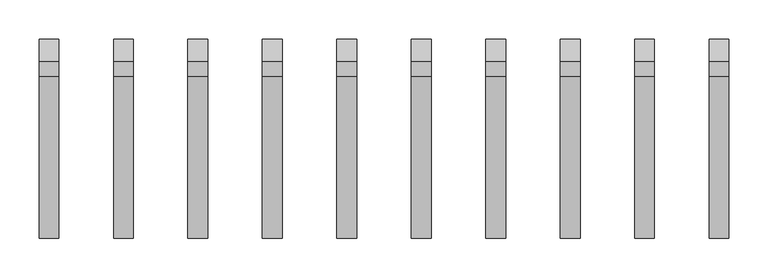
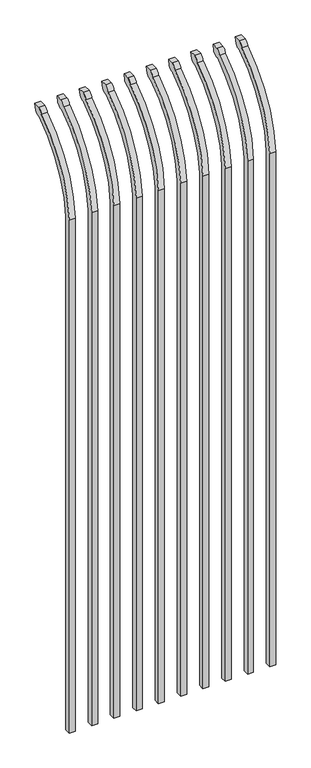
"""IFC4 building model written with IfcOpenShell, lengths in millimetres: railing geometry."""

from ifc_helpers import new_model, si_unit, point, frame, origin, place, context, project, spatial, polyline, circle_curve, ellipse_curve, trimmed, source, transform, mapped, element, save
from ifc_brep_helpers import plane_surface, cylinder_surface, revolved_surface, extruded_surface, advanced_brep


def railing_23267416(model_context):
    return source(origin(), model_context, "Body", "AdvancedBrep", [
        advanced_brep(
        [(26128.4350064, 10381.619541, 50.8), (26128.4350064, 10381.619541, 2368.7226889), (26128.4350064, 10578.7326851, 2700.9022378), (26128.4350064, 10605.2407099, 2715.5867549), (26128.4350064, 10611.1100864, 2743.2), (26128.4350064, 10582.8799449, 2743.2), (26128.4350064, 10563.4931591, 2722.2682561), (26128.4350064, 10356.219541, 2368.7226889), (26128.4350064, 10356.219541, 50.8), (26103.0350064, 10381.619541, 50.8), (26103.0350064, 10381.619541, 2368.7226889), (26103.0350064, 10356.219541, 2368.7226889), (26103.0350064, 10356.219541, 50.8), (26103.0350064, 10563.4931591, 2722.2682561), (26103.0350064, 10582.8799449, 2743.2), (26103.0350064, 10611.1100864, 2743.2), (26103.0350064, 10605.2407099, 2715.5867549), (26103.0350064, 10578.7326851, 2700.9022378)],
        [
            (0, 1),
            (1, 2, circle_curve(frame((26128.4350064, 10818.9874207, 2333.7640776), z_axis=(-1.0, 0.0, 0.0), x_axis=(0.0, 1.0, 0.0)), 438.7627681)),
            (2, 3, ellipse_curve(frame((26128.4350064, 10586.5579376, 2723.3180619), z_axis=(1.0, 0.0, 0.0), x_axis=(0.0, -0.7771459614569761, -0.6293203910498311)), 26.7460194, 19.05)),
            (3, 4),
            (4, 5),
            (5, 6, ellipse_curve(frame((26128.4350064, 10586.5579376, 2723.3180619), z_axis=(0.9999999999999999, 0.0, 0.0), x_axis=(0.0, -0.7771459614569763, -0.6293203910498306)), 26.7460194, 19.05)),
            (6, 7, circle_curve(frame((26128.4350064, 10818.0333244, 2335.5065933), z_axis=(1.0, 0.0, 0.0), x_axis=(0.0, 1.0, 0.0)), 463.0067812)),
            (7, 8),
            (8, 0),
            (0, 9),
            (9, 10),
            (10, 1),
            (7, 11),
            (11, 12),
            (12, 8),
            (12, 9),
            (11, 13, circle_curve(frame((26103.0350064, 10818.0333244, 2335.5065933), z_axis=(-1.0, 0.0, 0.0), x_axis=(0.0, 1.0, 0.0)), 463.0067812)),
            (13, 14, ellipse_curve(frame((26103.0350064, 10586.5579376, 2723.3180619), z_axis=(-0.9999999999999999, 0.0, 0.0), x_axis=(0.0, -0.7771459614569763, -0.6293203910498306)), 26.7460194, 19.05)),
            (14, 15),
            (15, 16),
            (16, 17, ellipse_curve(frame((26103.0350064, 10586.5579376, 2723.3180619), z_axis=(-1.0, 0.0, 0.0), x_axis=(0.0, -0.7771459614569761, -0.6293203910498311)), 26.7460194, 19.05)),
            (17, 10, circle_curve(frame((26103.0350064, 10818.9874207, 2333.7640776), z_axis=(1.0, 0.0, 0.0), x_axis=(0.0, 1.0, 0.0)), 438.7627681)),
            (17, 2),
            (16, 3),
            (15, 4),
            (14, 5),
            (13, 6),
        ],
        [
            plane_surface(frame((26128.4350064, 10381.619541, 50.8), z_axis=(1.0, 0.0, 0.0), x_axis=(0.0, 0.0, 1.0))),
            plane_surface(frame((26128.4350064, 10381.619541, 50.8), z_axis=(0.0, 1.0, 0.0), x_axis=(-1.0, 0.0, 0.0))),
            plane_surface(frame((26128.4350064, 10356.219541, 2368.7226889), z_axis=(0.0, -1.0, 0.0), x_axis=(-1.0, 0.0, 0.0))),
            plane_surface(frame((26128.4350064, 10356.219541, 50.8), z_axis=(0.0, 0.0, -1.0), x_axis=(-1.0, 0.0, 0.0))),
            plane_surface(frame((26103.0350064, 10381.619541, 50.8), z_axis=(-1.0, 0.0, 0.0), x_axis=(0.0, 0.0, -1.0))),
            revolved_surface(polyline([(26103.0350064, 11257.750188799999, 2333.7640776), (26128.4350064, 11257.750188799999, 2333.7640776)]), (26103.0350064, 10818.9874207, 2333.7640776), (-1.0, 0.0, 0.0)),
            extruded_surface(trimmed(ellipse_curve(frame((26077.6350064, 10586.5579376, 2723.3180619), z_axis=(1.0, 0.0, 0.0), x_axis=(0.0, -0.7771459614569761, -0.6293203910498311)), 26.7460194, 19.05), [point((26077.6350064, 10578.7326851, 2700.9022378))], [point((26077.6350064, 10605.2407099, 2715.5867549))], True, "CARTESIAN"), (25.400000000001455, 0.0, 0.0), 25.400000000001455),
            plane_surface(frame((26128.4350064, 10605.2407099, 2715.5867549), z_axis=(0.0, 0.9781476007337995, -0.2079116908177883), x_axis=(-1.0, 0.0, 0.0))),
            plane_surface(frame((26128.4350064, 10611.1100864, 2743.2), z_axis=(0.0, 0.0, 1.0), x_axis=(-1.0, 0.0, 0.0))),
            extruded_surface(trimmed(ellipse_curve(frame((26077.6350064, 10586.5579376, 2723.3180619), z_axis=(0.9999999999999999, 0.0, 0.0), x_axis=(0.0, -0.7771459614569763, -0.6293203910498306)), 26.7460194, 19.05), [point((26077.6350064, 10582.8799449, 2743.2))], [point((26077.6350064, 10563.4931591, 2722.2682561))], True, "CARTESIAN"), (25.400000000001455, 0.0, 0.0), 25.400000000001455),
            cylinder_surface(frame((26103.0350064, 10818.0333244, 2335.5065933), z_axis=(1.0, 0.0, 0.0), x_axis=(0.0, 1.0, 0.0)), 463.0067812),
        ],
        [
            (0, [[1, 2, 3, 4, 5, 6, 7, 8, 9]]),
            (1, [[-1, 10, 11, 12]]),
            (2, [[-8, 13, 14, 15]]),
            (3, [[-9, -15, 16, -10]]),
            (4, [[-16, -14, 17, 18, 19, 20, 21, 22, -11]]),
            (5, [[-2, -12, -22, 23]]),
            (6, [[-3, -23, -21, 24]]),
            (7, [[-4, -24, -20, 25]]),
            (8, [[-5, -25, -19, 26]]),
            (9, [[-6, -26, -18, 27]]),
            (10, [[-7, -27, -17, -13]]),
        ],
    ),
        advanced_brep(
        [(26033.1850064, 10381.619541, 50.8), (26033.1850064, 10381.619541, 2368.7226889), (26033.1850064, 10578.7326851, 2700.9022378), (26033.1850064, 10605.2407099, 2715.5867549), (26033.1850064, 10611.1100864, 2743.2), (26033.1850064, 10582.8799449, 2743.2), (26033.1850064, 10563.4931591, 2722.2682561), (26033.1850064, 10356.219541, 2368.7226889), (26033.1850064, 10356.219541, 50.8), (26007.7850064, 10381.619541, 50.8), (26007.7850064, 10381.619541, 2368.7226889), (26007.7850064, 10356.219541, 2368.7226889), (26007.7850064, 10356.219541, 50.8), (26007.7850064, 10563.4931591, 2722.2682561), (26007.7850064, 10582.8799449, 2743.2), (26007.7850064, 10611.1100864, 2743.2), (26007.7850064, 10605.2407099, 2715.5867549), (26007.7850064, 10578.7326851, 2700.9022378)],
        [
            (0, 1),
            (1, 2, circle_curve(frame((26033.1850064, 10818.9874207, 2333.7640776), z_axis=(-1.0, 0.0, 0.0), x_axis=(0.0, 1.0, 0.0)), 438.7627681)),
            (2, 3, ellipse_curve(frame((26033.1850064, 10586.5579376, 2723.3180619), z_axis=(1.0, 0.0, 0.0), x_axis=(0.0, -0.7771459614569761, -0.6293203910498311)), 26.7460194, 19.05)),
            (3, 4),
            (4, 5),
            (5, 6, ellipse_curve(frame((26033.1850064, 10586.5579376, 2723.3180619), z_axis=(0.9999999999999999, 0.0, 0.0), x_axis=(0.0, -0.7771459614569763, -0.6293203910498306)), 26.7460194, 19.05)),
            (6, 7, circle_curve(frame((26033.1850064, 10818.0333244, 2335.5065933), z_axis=(1.0, 0.0, 0.0), x_axis=(0.0, 1.0, 0.0)), 463.0067812)),
            (7, 8),
            (8, 0),
            (0, 9),
            (9, 10),
            (10, 1),
            (7, 11),
            (11, 12),
            (12, 8),
            (12, 9),
            (11, 13, circle_curve(frame((26007.7850064, 10818.0333244, 2335.5065933), z_axis=(-1.0, 0.0, 0.0), x_axis=(0.0, 1.0, 0.0)), 463.0067812)),
            (13, 14, ellipse_curve(frame((26007.7850064, 10586.5579376, 2723.3180619), z_axis=(-0.9999999999999999, 0.0, 0.0), x_axis=(0.0, -0.7771459614569763, -0.6293203910498306)), 26.7460194, 19.05)),
            (14, 15),
            (15, 16),
            (16, 17, ellipse_curve(frame((26007.7850064, 10586.5579376, 2723.3180619), z_axis=(-1.0, 0.0, 0.0), x_axis=(0.0, -0.7771459614569761, -0.6293203910498311)), 26.7460194, 19.05)),
            (17, 10, circle_curve(frame((26007.7850064, 10818.9874207, 2333.7640776), z_axis=(1.0, 0.0, 0.0), x_axis=(0.0, 1.0, 0.0)), 438.7627681)),
            (17, 2),
            (16, 3),
            (15, 4),
            (14, 5),
            (13, 6),
        ],
        [
            plane_surface(frame((26033.1850064, 10381.619541, 50.8), z_axis=(1.0, 0.0, 0.0), x_axis=(0.0, 0.0, 1.0))),
            plane_surface(frame((26033.1850064, 10381.619541, 50.8), z_axis=(0.0, 1.0, 0.0), x_axis=(-1.0, 0.0, 0.0))),
            plane_surface(frame((26033.1850064, 10356.219541, 2368.7226889), z_axis=(0.0, -1.0, 0.0), x_axis=(-1.0, 0.0, 0.0))),
            plane_surface(frame((26033.1850064, 10356.219541, 50.8), z_axis=(0.0, 0.0, -1.0), x_axis=(-1.0, 0.0, 0.0))),
            plane_surface(frame((26007.7850064, 10381.619541, 50.8), z_axis=(-1.0, 0.0, 0.0), x_axis=(0.0, 0.0, -1.0))),
            revolved_surface(polyline([(26007.7850064, 11257.750188799999, 2333.7640776), (26033.1850064, 11257.750188799999, 2333.7640776)]), (26007.7850064, 10818.9874207, 2333.7640776), (-1.0, 0.0, 0.0)),
            extruded_surface(trimmed(ellipse_curve(frame((25982.3850064, 10586.5579376, 2723.3180619), z_axis=(1.0, 0.0, 0.0), x_axis=(0.0, -0.7771459614569761, -0.6293203910498311)), 26.7460194, 19.05), [point((25982.3850064, 10578.7326851, 2700.9022378))], [point((25982.3850064, 10605.2407099, 2715.5867549))], True, "CARTESIAN"), (25.400000000001455, 0.0, 0.0), 25.400000000001455),
            plane_surface(frame((26033.1850064, 10605.2407099, 2715.5867549), z_axis=(0.0, 0.9781476007337995, -0.2079116908177883), x_axis=(-1.0, 0.0, 0.0))),
            plane_surface(frame((26033.1850064, 10611.1100864, 2743.2), z_axis=(0.0, 0.0, 1.0), x_axis=(-1.0, 0.0, 0.0))),
            extruded_surface(trimmed(ellipse_curve(frame((25982.3850064, 10586.5579376, 2723.3180619), z_axis=(0.9999999999999999, 0.0, 0.0), x_axis=(0.0, -0.7771459614569763, -0.6293203910498306)), 26.7460194, 19.05), [point((25982.3850064, 10582.8799449, 2743.2))], [point((25982.3850064, 10563.4931591, 2722.2682561))], True, "CARTESIAN"), (25.400000000001455, 0.0, 0.0), 25.400000000001455),
            cylinder_surface(frame((26007.7850064, 10818.0333244, 2335.5065933), z_axis=(1.0, 0.0, 0.0), x_axis=(0.0, 1.0, 0.0)), 463.0067812),
        ],
        [
            (0, [[1, 2, 3, 4, 5, 6, 7, 8, 9]]),
            (1, [[-1, 10, 11, 12]]),
            (2, [[-8, 13, 14, 15]]),
            (3, [[-9, -15, 16, -10]]),
            (4, [[-16, -14, 17, 18, 19, 20, 21, 22, -11]]),
            (5, [[-2, -12, -22, 23]]),
            (6, [[-3, -23, -21, 24]]),
            (7, [[-4, -24, -20, 25]]),
            (8, [[-5, -25, -19, 26]]),
            (9, [[-6, -26, -18, 27]]),
            (10, [[-7, -27, -17, -13]]),
        ],
    ),
        advanced_brep(
        [(25937.9350064, 10381.619541, 50.8), (25937.9350064, 10381.619541, 2368.7226889), (25937.9350064, 10578.7326851, 2700.9022378), (25937.9350064, 10605.2407099, 2715.5867549), (25937.9350064, 10611.1100864, 2743.2), (25937.9350064, 10582.8799449, 2743.2), (25937.9350064, 10563.4931591, 2722.2682561), (25937.9350064, 10356.219541, 2368.7226889), (25937.9350064, 10356.219541, 50.8), (25912.5350064, 10381.619541, 50.8), (25912.5350064, 10381.619541, 2368.7226889), (25912.5350064, 10356.219541, 2368.7226889), (25912.5350064, 10356.219541, 50.8), (25912.5350064, 10563.4931591, 2722.2682561), (25912.5350064, 10582.8799449, 2743.2), (25912.5350064, 10611.1100864, 2743.2), (25912.5350064, 10605.2407099, 2715.5867549), (25912.5350064, 10578.7326851, 2700.9022378)],
        [
            (0, 1),
            (1, 2, circle_curve(frame((25937.9350064, 10818.9874207, 2333.7640776), z_axis=(-1.0, 0.0, 0.0), x_axis=(0.0, 1.0, 0.0)), 438.7627681)),
            (2, 3, ellipse_curve(frame((25937.9350064, 10586.5579376, 2723.3180619), z_axis=(1.0, 0.0, 0.0), x_axis=(0.0, -0.7771459614569761, -0.6293203910498311)), 26.7460194, 19.05)),
            (3, 4),
            (4, 5),
            (5, 6, ellipse_curve(frame((25937.9350064, 10586.5579376, 2723.3180619), z_axis=(0.9999999999999999, 0.0, 0.0), x_axis=(0.0, -0.7771459614569763, -0.6293203910498306)), 26.7460194, 19.05)),
            (6, 7, circle_curve(frame((25937.9350064, 10818.0333244, 2335.5065933), z_axis=(1.0, 0.0, 0.0), x_axis=(0.0, 1.0, 0.0)), 463.0067812)),
            (7, 8),
            (8, 0),
            (0, 9),
            (9, 10),
            (10, 1),
            (7, 11),
            (11, 12),
            (12, 8),
            (12, 9),
            (11, 13, circle_curve(frame((25912.5350064, 10818.0333244, 2335.5065933), z_axis=(-1.0, 0.0, 0.0), x_axis=(0.0, 1.0, 0.0)), 463.0067812)),
            (13, 14, ellipse_curve(frame((25912.5350064, 10586.5579376, 2723.3180619), z_axis=(-0.9999999999999999, 0.0, 0.0), x_axis=(0.0, -0.7771459614569763, -0.6293203910498306)), 26.7460194, 19.05)),
            (14, 15),
            (15, 16),
            (16, 17, ellipse_curve(frame((25912.5350064, 10586.5579376, 2723.3180619), z_axis=(-1.0, 0.0, 0.0), x_axis=(0.0, -0.7771459614569761, -0.6293203910498311)), 26.7460194, 19.05)),
            (17, 10, circle_curve(frame((25912.5350064, 10818.9874207, 2333.7640776), z_axis=(1.0, 0.0, 0.0), x_axis=(0.0, 1.0, 0.0)), 438.7627681)),
            (17, 2),
            (16, 3),
            (15, 4),
            (14, 5),
            (13, 6),
        ],
        [
            plane_surface(frame((25937.9350064, 10381.619541, 50.8), z_axis=(1.0, 0.0, 0.0), x_axis=(0.0, 0.0, 1.0))),
            plane_surface(frame((25937.9350064, 10381.619541, 50.8), z_axis=(0.0, 1.0, 0.0), x_axis=(-1.0, 0.0, 0.0))),
            plane_surface(frame((25937.9350064, 10356.219541, 2368.7226889), z_axis=(0.0, -1.0, 0.0), x_axis=(-1.0, 0.0, 0.0))),
            plane_surface(frame((25937.9350064, 10356.219541, 50.8), z_axis=(0.0, 0.0, -1.0), x_axis=(-1.0, 0.0, 0.0))),
            plane_surface(frame((25912.5350064, 10381.619541, 50.8), z_axis=(-1.0, 0.0, 0.0), x_axis=(0.0, 0.0, -1.0))),
            revolved_surface(polyline([(25912.5350064, 11257.750188799999, 2333.7640776), (25937.9350064, 11257.750188799999, 2333.7640776)]), (25912.5350064, 10818.9874207, 2333.7640776), (-1.0, 0.0, 0.0)),
            extruded_surface(trimmed(ellipse_curve(frame((25887.1350064, 10586.5579376, 2723.3180619), z_axis=(1.0, 0.0, 0.0), x_axis=(0.0, -0.7771459614569761, -0.6293203910498311)), 26.7460194, 19.05), [point((25887.1350064, 10578.7326851, 2700.9022378))], [point((25887.1350064, 10605.2407099, 2715.5867549))], True, "CARTESIAN"), (25.400000000001455, 0.0, 0.0), 25.400000000001455),
            plane_surface(frame((25937.9350064, 10605.2407099, 2715.5867549), z_axis=(0.0, 0.9781476007337995, -0.2079116908177883), x_axis=(-1.0, 0.0, 0.0))),
            plane_surface(frame((25937.9350064, 10611.1100864, 2743.2), z_axis=(0.0, 0.0, 1.0), x_axis=(-1.0, 0.0, 0.0))),
            extruded_surface(trimmed(ellipse_curve(frame((25887.1350064, 10586.5579376, 2723.3180619), z_axis=(0.9999999999999999, 0.0, 0.0), x_axis=(0.0, -0.7771459614569763, -0.6293203910498306)), 26.7460194, 19.05), [point((25887.1350064, 10582.8799449, 2743.2))], [point((25887.1350064, 10563.4931591, 2722.2682561))], True, "CARTESIAN"), (25.400000000001455, 0.0, 0.0), 25.400000000001455),
            cylinder_surface(frame((25912.5350064, 10818.0333244, 2335.5065933), z_axis=(1.0, 0.0, 0.0), x_axis=(0.0, 1.0, 0.0)), 463.0067812),
        ],
        [
            (0, [[1, 2, 3, 4, 5, 6, 7, 8, 9]]),
            (1, [[-1, 10, 11, 12]]),
            (2, [[-8, 13, 14, 15]]),
            (3, [[-9, -15, 16, -10]]),
            (4, [[-16, -14, 17, 18, 19, 20, 21, 22, -11]]),
            (5, [[-2, -12, -22, 23]]),
            (6, [[-3, -23, -21, 24]]),
            (7, [[-4, -24, -20, 25]]),
            (8, [[-5, -25, -19, 26]]),
            (9, [[-6, -26, -18, 27]]),
            (10, [[-7, -27, -17, -13]]),
        ],
    ),
        advanced_brep(
        [(25842.6850064, 10381.619541, 50.8), (25842.6850064, 10381.619541, 2368.7226889), (25842.6850064, 10578.7326851, 2700.9022378), (25842.6850064, 10605.2407099, 2715.5867549), (25842.6850064, 10611.1100864, 2743.2), (25842.6850064, 10582.8799449, 2743.2), (25842.6850064, 10563.4931591, 2722.2682561), (25842.6850064, 10356.219541, 2368.7226889), (25842.6850064, 10356.219541, 50.8), (25817.2850064, 10381.619541, 50.8), (25817.2850064, 10381.619541, 2368.7226889), (25817.2850064, 10356.219541, 2368.7226889), (25817.2850064, 10356.219541, 50.8), (25817.2850064, 10563.4931591, 2722.2682561), (25817.2850064, 10582.8799449, 2743.2), (25817.2850064, 10611.1100864, 2743.2), (25817.2850064, 10605.2407099, 2715.5867549), (25817.2850064, 10578.7326851, 2700.9022378)],
        [
            (0, 1),
            (1, 2, circle_curve(frame((25842.6850064, 10818.9874207, 2333.7640776), z_axis=(-1.0, 0.0, 0.0), x_axis=(0.0, 1.0, 0.0)), 438.7627681)),
            (2, 3, ellipse_curve(frame((25842.6850064, 10586.5579376, 2723.3180619), z_axis=(1.0, 0.0, 0.0), x_axis=(0.0, -0.7771459614569761, -0.6293203910498311)), 26.7460194, 19.05)),
            (3, 4),
            (4, 5),
            (5, 6, ellipse_curve(frame((25842.6850064, 10586.5579376, 2723.3180619), z_axis=(0.9999999999999999, 0.0, 0.0), x_axis=(0.0, -0.7771459614569763, -0.6293203910498306)), 26.7460194, 19.05)),
            (6, 7, circle_curve(frame((25842.6850064, 10818.0333244, 2335.5065933), z_axis=(1.0, 0.0, 0.0), x_axis=(0.0, 1.0, 0.0)), 463.0067812)),
            (7, 8),
            (8, 0),
            (0, 9),
            (9, 10),
            (10, 1),
            (7, 11),
            (11, 12),
            (12, 8),
            (12, 9),
            (11, 13, circle_curve(frame((25817.2850064, 10818.0333244, 2335.5065933), z_axis=(-1.0, 0.0, 0.0), x_axis=(0.0, 1.0, 0.0)), 463.0067812)),
            (13, 14, ellipse_curve(frame((25817.2850064, 10586.5579376, 2723.3180619), z_axis=(-0.9999999999999999, 0.0, 0.0), x_axis=(0.0, -0.7771459614569763, -0.6293203910498306)), 26.7460194, 19.05)),
            (14, 15),
            (15, 16),
            (16, 17, ellipse_curve(frame((25817.2850064, 10586.5579376, 2723.3180619), z_axis=(-1.0, 0.0, 0.0), x_axis=(0.0, -0.7771459614569761, -0.6293203910498311)), 26.7460194, 19.05)),
            (17, 10, circle_curve(frame((25817.2850064, 10818.9874207, 2333.7640776), z_axis=(1.0, 0.0, 0.0), x_axis=(0.0, 1.0, 0.0)), 438.7627681)),
            (17, 2),
            (16, 3),
            (15, 4),
            (14, 5),
            (13, 6),
        ],
        [
            plane_surface(frame((25842.6850064, 10381.619541, 50.8), z_axis=(1.0, 0.0, 0.0), x_axis=(0.0, 0.0, 1.0))),
            plane_surface(frame((25842.6850064, 10381.619541, 50.8), z_axis=(0.0, 1.0, 0.0), x_axis=(-1.0, 0.0, 0.0))),
            plane_surface(frame((25842.6850064, 10356.219541, 2368.7226889), z_axis=(0.0, -1.0, 0.0), x_axis=(-1.0, 0.0, 0.0))),
            plane_surface(frame((25842.6850064, 10356.219541, 50.8), z_axis=(0.0, 0.0, -1.0), x_axis=(-1.0, 0.0, 0.0))),
            plane_surface(frame((25817.2850064, 10381.619541, 50.8), z_axis=(-1.0, 0.0, 0.0), x_axis=(0.0, 0.0, -1.0))),
            revolved_surface(polyline([(25817.2850064, 11257.750188799999, 2333.7640776), (25842.6850064, 11257.750188799999, 2333.7640776)]), (25817.2850064, 10818.9874207, 2333.7640776), (-1.0, 0.0, 0.0)),
            extruded_surface(trimmed(ellipse_curve(frame((25791.8850064, 10586.5579376, 2723.3180619), z_axis=(1.0, 0.0, 0.0), x_axis=(0.0, -0.7771459614569761, -0.6293203910498311)), 26.7460194, 19.05), [point((25791.8850064, 10578.7326851, 2700.9022378))], [point((25791.8850064, 10605.2407099, 2715.5867549))], True, "CARTESIAN"), (25.400000000001455, 0.0, 0.0), 25.400000000001455),
            plane_surface(frame((25842.6850064, 10605.2407099, 2715.5867549), z_axis=(0.0, 0.9781476007337995, -0.2079116908177883), x_axis=(-1.0, 0.0, 0.0))),
            plane_surface(frame((25842.6850064, 10611.1100864, 2743.2), z_axis=(0.0, 0.0, 1.0), x_axis=(-1.0, 0.0, 0.0))),
            extruded_surface(trimmed(ellipse_curve(frame((25791.8850064, 10586.5579376, 2723.3180619), z_axis=(0.9999999999999999, 0.0, 0.0), x_axis=(0.0, -0.7771459614569763, -0.6293203910498306)), 26.7460194, 19.05), [point((25791.8850064, 10582.8799449, 2743.2))], [point((25791.8850064, 10563.4931591, 2722.2682561))], True, "CARTESIAN"), (25.400000000001455, 0.0, 0.0), 25.400000000001455),
            cylinder_surface(frame((25817.2850064, 10818.0333244, 2335.5065933), z_axis=(1.0, 0.0, 0.0), x_axis=(0.0, 1.0, 0.0)), 463.0067812),
        ],
        [
            (0, [[1, 2, 3, 4, 5, 6, 7, 8, 9]]),
            (1, [[-1, 10, 11, 12]]),
            (2, [[-8, 13, 14, 15]]),
            (3, [[-9, -15, 16, -10]]),
            (4, [[-16, -14, 17, 18, 19, 20, 21, 22, -11]]),
            (5, [[-2, -12, -22, 23]]),
            (6, [[-3, -23, -21, 24]]),
            (7, [[-4, -24, -20, 25]]),
            (8, [[-5, -25, -19, 26]]),
            (9, [[-6, -26, -18, 27]]),
            (10, [[-7, -27, -17, -13]]),
        ],
    ),
        advanced_brep(
        [(25747.4350064, 10381.619541, 50.8), (25747.4350064, 10381.619541, 2368.7226889), (25747.4350064, 10578.7326851, 2700.9022378), (25747.4350064, 10605.2407099, 2715.5867549), (25747.4350064, 10611.1100864, 2743.2), (25747.4350064, 10582.8799449, 2743.2), (25747.4350064, 10563.4931591, 2722.2682561), (25747.4350064, 10356.219541, 2368.7226889), (25747.4350064, 10356.219541, 50.8), (25722.0350064, 10381.619541, 50.8), (25722.0350064, 10381.619541, 2368.7226889), (25722.0350064, 10356.219541, 2368.7226889), (25722.0350064, 10356.219541, 50.8), (25722.0350064, 10563.4931591, 2722.2682561), (25722.0350064, 10582.8799449, 2743.2), (25722.0350064, 10611.1100864, 2743.2), (25722.0350064, 10605.2407099, 2715.5867549), (25722.0350064, 10578.7326851, 2700.9022378)],
        [
            (0, 1),
            (1, 2, circle_curve(frame((25747.4350064, 10818.9874207, 2333.7640776), z_axis=(-1.0, 0.0, 0.0), x_axis=(0.0, 1.0, 0.0)), 438.7627681)),
            (2, 3, ellipse_curve(frame((25747.4350064, 10586.5579376, 2723.3180619), z_axis=(1.0, 0.0, 0.0), x_axis=(0.0, -0.7771459614569761, -0.6293203910498311)), 26.7460194, 19.05)),
            (3, 4),
            (4, 5),
            (5, 6, ellipse_curve(frame((25747.4350064, 10586.5579376, 2723.3180619), z_axis=(0.9999999999999999, 0.0, 0.0), x_axis=(0.0, -0.7771459614569763, -0.6293203910498306)), 26.7460194, 19.05)),
            (6, 7, circle_curve(frame((25747.4350064, 10818.0333244, 2335.5065933), z_axis=(1.0, 0.0, 0.0), x_axis=(0.0, 1.0, 0.0)), 463.0067812)),
            (7, 8),
            (8, 0),
            (0, 9),
            (9, 10),
            (10, 1),
            (7, 11),
            (11, 12),
            (12, 8),
            (12, 9),
            (11, 13, circle_curve(frame((25722.0350064, 10818.0333244, 2335.5065933), z_axis=(-1.0, 0.0, 0.0), x_axis=(0.0, 1.0, 0.0)), 463.0067812)),
            (13, 14, ellipse_curve(frame((25722.0350064, 10586.5579376, 2723.3180619), z_axis=(-0.9999999999999999, 0.0, 0.0), x_axis=(0.0, -0.7771459614569763, -0.6293203910498306)), 26.7460194, 19.05)),
            (14, 15),
            (15, 16),
            (16, 17, ellipse_curve(frame((25722.0350064, 10586.5579376, 2723.3180619), z_axis=(-1.0, 0.0, 0.0), x_axis=(0.0, -0.7771459614569761, -0.6293203910498311)), 26.7460194, 19.05)),
            (17, 10, circle_curve(frame((25722.0350064, 10818.9874207, 2333.7640776), z_axis=(1.0, 0.0, 0.0), x_axis=(0.0, 1.0, 0.0)), 438.7627681)),
            (17, 2),
            (16, 3),
            (15, 4),
            (14, 5),
            (13, 6),
        ],
        [
            plane_surface(frame((25747.4350064, 10381.619541, 50.8), z_axis=(1.0, 0.0, 0.0), x_axis=(0.0, 0.0, 1.0))),
            plane_surface(frame((25747.4350064, 10381.619541, 50.8), z_axis=(0.0, 1.0, 0.0), x_axis=(-1.0, 0.0, 0.0))),
            plane_surface(frame((25747.4350064, 10356.219541, 2368.7226889), z_axis=(0.0, -1.0, 0.0), x_axis=(-1.0, 0.0, 0.0))),
            plane_surface(frame((25747.4350064, 10356.219541, 50.8), z_axis=(0.0, 0.0, -1.0), x_axis=(-1.0, 0.0, 0.0))),
            plane_surface(frame((25722.0350064, 10381.619541, 50.8), z_axis=(-1.0, 0.0, 0.0), x_axis=(0.0, 0.0, -1.0))),
            revolved_surface(polyline([(25722.0350064, 11257.750188799999, 2333.7640776), (25747.4350064, 11257.750188799999, 2333.7640776)]), (25722.0350064, 10818.9874207, 2333.7640776), (-1.0, 0.0, 0.0)),
            extruded_surface(trimmed(ellipse_curve(frame((25696.6350064, 10586.5579376, 2723.3180619), z_axis=(1.0, 0.0, 0.0), x_axis=(0.0, -0.7771459614569761, -0.6293203910498311)), 26.7460194, 19.05), [point((25696.6350064, 10578.7326851, 2700.9022378))], [point((25696.6350064, 10605.2407099, 2715.5867549))], True, "CARTESIAN"), (25.400000000001455, 0.0, 0.0), 25.400000000001455),
            plane_surface(frame((25747.4350064, 10605.2407099, 2715.5867549), z_axis=(0.0, 0.9781476007337995, -0.2079116908177883), x_axis=(-1.0, 0.0, 0.0))),
            plane_surface(frame((25747.4350064, 10611.1100864, 2743.2), z_axis=(0.0, 0.0, 1.0), x_axis=(-1.0, 0.0, 0.0))),
            extruded_surface(trimmed(ellipse_curve(frame((25696.6350064, 10586.5579376, 2723.3180619), z_axis=(0.9999999999999999, 0.0, 0.0), x_axis=(0.0, -0.7771459614569763, -0.6293203910498306)), 26.7460194, 19.05), [point((25696.6350064, 10582.8799449, 2743.2))], [point((25696.6350064, 10563.4931591, 2722.2682561))], True, "CARTESIAN"), (25.400000000001455, 0.0, 0.0), 25.400000000001455),
            cylinder_surface(frame((25722.0350064, 10818.0333244, 2335.5065933), z_axis=(1.0, 0.0, 0.0), x_axis=(0.0, 1.0, 0.0)), 463.0067812),
        ],
        [
            (0, [[1, 2, 3, 4, 5, 6, 7, 8, 9]]),
            (1, [[-1, 10, 11, 12]]),
            (2, [[-8, 13, 14, 15]]),
            (3, [[-9, -15, 16, -10]]),
            (4, [[-16, -14, 17, 18, 19, 20, 21, 22, -11]]),
            (5, [[-2, -12, -22, 23]]),
            (6, [[-3, -23, -21, 24]]),
            (7, [[-4, -24, -20, 25]]),
            (8, [[-5, -25, -19, 26]]),
            (9, [[-6, -26, -18, 27]]),
            (10, [[-7, -27, -17, -13]]),
        ],
    ),
        advanced_brep(
        [(25652.1850064, 10381.619541, 50.8), (25652.1850064, 10381.619541, 2368.7226889), (25652.1850064, 10578.7326851, 2700.9022378), (25652.1850064, 10605.2407099, 2715.5867549), (25652.1850064, 10611.1100864, 2743.2), (25652.1850064, 10582.8799449, 2743.2), (25652.1850064, 10563.4931591, 2722.2682561), (25652.1850064, 10356.219541, 2368.7226889), (25652.1850064, 10356.219541, 50.8), (25626.7850064, 10381.619541, 50.8), (25626.7850064, 10381.619541, 2368.7226889), (25626.7850064, 10356.219541, 2368.7226889), (25626.7850064, 10356.219541, 50.8), (25626.7850064, 10563.4931591, 2722.2682561), (25626.7850064, 10582.8799449, 2743.2), (25626.7850064, 10611.1100864, 2743.2), (25626.7850064, 10605.2407099, 2715.5867549), (25626.7850064, 10578.7326851, 2700.9022378)],
        [
            (0, 1),
            (1, 2, circle_curve(frame((25652.1850064, 10818.9874207, 2333.7640776), z_axis=(-1.0, 0.0, 0.0), x_axis=(0.0, 1.0, 0.0)), 438.7627681)),
            (2, 3, ellipse_curve(frame((25652.1850064, 10586.5579376, 2723.3180619), z_axis=(1.0, 0.0, 0.0), x_axis=(0.0, -0.7771459614569761, -0.6293203910498311)), 26.7460194, 19.05)),
            (3, 4),
            (4, 5),
            (5, 6, ellipse_curve(frame((25652.1850064, 10586.5579376, 2723.3180619), z_axis=(0.9999999999999999, 0.0, 0.0), x_axis=(0.0, -0.7771459614569763, -0.6293203910498306)), 26.7460194, 19.05)),
            (6, 7, circle_curve(frame((25652.1850064, 10818.0333244, 2335.5065933), z_axis=(1.0, 0.0, 0.0), x_axis=(0.0, 1.0, 0.0)), 463.0067812)),
            (7, 8),
            (8, 0),
            (0, 9),
            (9, 10),
            (10, 1),
            (7, 11),
            (11, 12),
            (12, 8),
            (12, 9),
            (11, 13, circle_curve(frame((25626.7850064, 10818.0333244, 2335.5065933), z_axis=(-1.0, 0.0, 0.0), x_axis=(0.0, 1.0, 0.0)), 463.0067812)),
            (13, 14, ellipse_curve(frame((25626.7850064, 10586.5579376, 2723.3180619), z_axis=(-0.9999999999999999, 0.0, 0.0), x_axis=(0.0, -0.7771459614569763, -0.6293203910498306)), 26.7460194, 19.05)),
            (14, 15),
            (15, 16),
            (16, 17, ellipse_curve(frame((25626.7850064, 10586.5579376, 2723.3180619), z_axis=(-1.0, 0.0, 0.0), x_axis=(0.0, -0.7771459614569761, -0.6293203910498311)), 26.7460194, 19.05)),
            (17, 10, circle_curve(frame((25626.7850064, 10818.9874207, 2333.7640776), z_axis=(1.0, 0.0, 0.0), x_axis=(0.0, 1.0, 0.0)), 438.7627681)),
            (17, 2),
            (16, 3),
            (15, 4),
            (14, 5),
            (13, 6),
        ],
        [
            plane_surface(frame((25652.1850064, 10381.619541, 50.8), z_axis=(1.0, 0.0, 0.0), x_axis=(0.0, 0.0, 1.0))),
            plane_surface(frame((25652.1850064, 10381.619541, 50.8), z_axis=(0.0, 1.0, 0.0), x_axis=(-1.0, 0.0, 0.0))),
            plane_surface(frame((25652.1850064, 10356.219541, 2368.7226889), z_axis=(0.0, -1.0, 0.0), x_axis=(-1.0, 0.0, 0.0))),
            plane_surface(frame((25652.1850064, 10356.219541, 50.8), z_axis=(0.0, 0.0, -1.0), x_axis=(-1.0, 0.0, 0.0))),
            plane_surface(frame((25626.7850064, 10381.619541, 50.8), z_axis=(-1.0, 0.0, 0.0), x_axis=(0.0, 0.0, -1.0))),
            revolved_surface(polyline([(25626.7850064, 11257.750188799999, 2333.7640776), (25652.1850064, 11257.750188799999, 2333.7640776)]), (25626.7850064, 10818.9874207, 2333.7640776), (-1.0, 0.0, 0.0)),
            extruded_surface(trimmed(ellipse_curve(frame((25601.3850064, 10586.5579376, 2723.3180619), z_axis=(1.0, 0.0, 0.0), x_axis=(0.0, -0.7771459614569761, -0.6293203910498311)), 26.7460194, 19.05), [point((25601.3850064, 10578.7326851, 2700.9022378))], [point((25601.3850064, 10605.2407099, 2715.5867549))], True, "CARTESIAN"), (25.400000000001455, 0.0, 0.0), 25.400000000001455),
            plane_surface(frame((25652.1850064, 10605.2407099, 2715.5867549), z_axis=(0.0, 0.9781476007337995, -0.2079116908177883), x_axis=(-1.0, 0.0, 0.0))),
            plane_surface(frame((25652.1850064, 10611.1100864, 2743.2), z_axis=(0.0, 0.0, 1.0), x_axis=(-1.0, 0.0, 0.0))),
            extruded_surface(trimmed(ellipse_curve(frame((25601.3850064, 10586.5579376, 2723.3180619), z_axis=(0.9999999999999999, 0.0, 0.0), x_axis=(0.0, -0.7771459614569763, -0.6293203910498306)), 26.7460194, 19.05), [point((25601.3850064, 10582.8799449, 2743.2))], [point((25601.3850064, 10563.4931591, 2722.2682561))], True, "CARTESIAN"), (25.400000000001455, 0.0, 0.0), 25.400000000001455),
            cylinder_surface(frame((25626.7850064, 10818.0333244, 2335.5065933), z_axis=(1.0, 0.0, 0.0), x_axis=(0.0, 1.0, 0.0)), 463.0067812),
        ],
        [
            (0, [[1, 2, 3, 4, 5, 6, 7, 8, 9]]),
            (1, [[-1, 10, 11, 12]]),
            (2, [[-8, 13, 14, 15]]),
            (3, [[-9, -15, 16, -10]]),
            (4, [[-16, -14, 17, 18, 19, 20, 21, 22, -11]]),
            (5, [[-2, -12, -22, 23]]),
            (6, [[-3, -23, -21, 24]]),
            (7, [[-4, -24, -20, 25]]),
            (8, [[-5, -25, -19, 26]]),
            (9, [[-6, -26, -18, 27]]),
            (10, [[-7, -27, -17, -13]]),
        ],
    ),
        advanced_brep(
        [(25556.9350064, 10381.619541, 50.8), (25556.9350064, 10381.619541, 2368.7226889), (25556.9350064, 10578.7326851, 2700.9022378), (25556.9350064, 10605.2407099, 2715.5867549), (25556.9350064, 10611.1100864, 2743.2), (25556.9350064, 10582.8799449, 2743.2), (25556.9350064, 10563.4931591, 2722.2682561), (25556.9350064, 10356.219541, 2368.7226889), (25556.9350064, 10356.219541, 50.8), (25531.5350064, 10381.619541, 50.8), (25531.5350064, 10381.619541, 2368.7226889), (25531.5350064, 10356.219541, 2368.7226889), (25531.5350064, 10356.219541, 50.8), (25531.5350064, 10563.4931591, 2722.2682561), (25531.5350064, 10582.8799449, 2743.2), (25531.5350064, 10611.1100864, 2743.2), (25531.5350064, 10605.2407099, 2715.5867549), (25531.5350064, 10578.7326851, 2700.9022378)],
        [
            (0, 1),
            (1, 2, circle_curve(frame((25556.9350064, 10818.9874207, 2333.7640776), z_axis=(-1.0, 0.0, 0.0), x_axis=(0.0, 1.0, 0.0)), 438.7627681)),
            (2, 3, ellipse_curve(frame((25556.9350064, 10586.5579376, 2723.3180619), z_axis=(1.0, 0.0, 0.0), x_axis=(0.0, -0.7771459614569761, -0.6293203910498311)), 26.7460194, 19.05)),
            (3, 4),
            (4, 5),
            (5, 6, ellipse_curve(frame((25556.9350064, 10586.5579376, 2723.3180619), z_axis=(0.9999999999999999, 0.0, 0.0), x_axis=(0.0, -0.7771459614569763, -0.6293203910498306)), 26.7460194, 19.05)),
            (6, 7, circle_curve(frame((25556.9350064, 10818.0333244, 2335.5065933), z_axis=(1.0, 0.0, 0.0), x_axis=(0.0, 1.0, 0.0)), 463.0067812)),
            (7, 8),
            (8, 0),
            (0, 9),
            (9, 10),
            (10, 1),
            (7, 11),
            (11, 12),
            (12, 8),
            (12, 9),
            (11, 13, circle_curve(frame((25531.5350064, 10818.0333244, 2335.5065933), z_axis=(-1.0, 0.0, 0.0), x_axis=(0.0, 1.0, 0.0)), 463.0067812)),
            (13, 14, ellipse_curve(frame((25531.5350064, 10586.5579376, 2723.3180619), z_axis=(-0.9999999999999999, 0.0, 0.0), x_axis=(0.0, -0.7771459614569763, -0.6293203910498306)), 26.7460194, 19.05)),
            (14, 15),
            (15, 16),
            (16, 17, ellipse_curve(frame((25531.5350064, 10586.5579376, 2723.3180619), z_axis=(-1.0, 0.0, 0.0), x_axis=(0.0, -0.7771459614569761, -0.6293203910498311)), 26.7460194, 19.05)),
            (17, 10, circle_curve(frame((25531.5350064, 10818.9874207, 2333.7640776), z_axis=(1.0, 0.0, 0.0), x_axis=(0.0, 1.0, 0.0)), 438.7627681)),
            (17, 2),
            (16, 3),
            (15, 4),
            (14, 5),
            (13, 6),
        ],
        [
            plane_surface(frame((25556.9350064, 10381.619541, 50.8), z_axis=(1.0, 0.0, 0.0), x_axis=(0.0, 0.0, 1.0))),
            plane_surface(frame((25556.9350064, 10381.619541, 50.8), z_axis=(0.0, 1.0, 0.0), x_axis=(-1.0, 0.0, 0.0))),
            plane_surface(frame((25556.9350064, 10356.219541, 2368.7226889), z_axis=(0.0, -1.0, 0.0), x_axis=(-1.0, 0.0, 0.0))),
            plane_surface(frame((25556.9350064, 10356.219541, 50.8), z_axis=(0.0, 0.0, -1.0), x_axis=(-1.0, 0.0, 0.0))),
            plane_surface(frame((25531.5350064, 10381.619541, 50.8), z_axis=(-1.0, 0.0, 0.0), x_axis=(0.0, 0.0, -1.0))),
            revolved_surface(polyline([(25531.5350064, 11257.750188799999, 2333.7640776), (25556.9350064, 11257.750188799999, 2333.7640776)]), (25531.5350064, 10818.9874207, 2333.7640776), (-1.0, 0.0, 0.0)),
            extruded_surface(trimmed(ellipse_curve(frame((25506.1350064, 10586.5579376, 2723.3180619), z_axis=(1.0, 0.0, 0.0), x_axis=(0.0, -0.7771459614569761, -0.6293203910498311)), 26.7460194, 19.05), [point((25506.1350064, 10578.7326851, 2700.9022378))], [point((25506.1350064, 10605.2407099, 2715.5867549))], True, "CARTESIAN"), (25.400000000001455, 0.0, 0.0), 25.400000000001455),
            plane_surface(frame((25556.9350064, 10605.2407099, 2715.5867549), z_axis=(0.0, 0.9781476007337995, -0.2079116908177883), x_axis=(-1.0, 0.0, 0.0))),
            plane_surface(frame((25556.9350064, 10611.1100864, 2743.2), z_axis=(0.0, 0.0, 1.0), x_axis=(-1.0, 0.0, 0.0))),
            extruded_surface(trimmed(ellipse_curve(frame((25506.1350064, 10586.5579376, 2723.3180619), z_axis=(0.9999999999999999, 0.0, 0.0), x_axis=(0.0, -0.7771459614569763, -0.6293203910498306)), 26.7460194, 19.05), [point((25506.1350064, 10582.8799449, 2743.2))], [point((25506.1350064, 10563.4931591, 2722.2682561))], True, "CARTESIAN"), (25.400000000001455, 0.0, 0.0), 25.400000000001455),
            cylinder_surface(frame((25531.5350064, 10818.0333244, 2335.5065933), z_axis=(1.0, 0.0, 0.0), x_axis=(0.0, 1.0, 0.0)), 463.0067812),
        ],
        [
            (0, [[1, 2, 3, 4, 5, 6, 7, 8, 9]]),
            (1, [[-1, 10, 11, 12]]),
            (2, [[-8, 13, 14, 15]]),
            (3, [[-9, -15, 16, -10]]),
            (4, [[-16, -14, 17, 18, 19, 20, 21, 22, -11]]),
            (5, [[-2, -12, -22, 23]]),
            (6, [[-3, -23, -21, 24]]),
            (7, [[-4, -24, -20, 25]]),
            (8, [[-5, -25, -19, 26]]),
            (9, [[-6, -26, -18, 27]]),
            (10, [[-7, -27, -17, -13]]),
        ],
    ),
        advanced_brep(
        [(25461.6850064, 10381.619541, 50.8), (25461.6850064, 10381.619541, 2368.7226889), (25461.6850064, 10578.7326851, 2700.9022378), (25461.6850064, 10605.2407099, 2715.5867549), (25461.6850064, 10611.1100864, 2743.2), (25461.6850064, 10582.8799449, 2743.2), (25461.6850064, 10563.4931591, 2722.2682561), (25461.6850064, 10356.219541, 2368.7226889), (25461.6850064, 10356.219541, 50.8), (25436.2850064, 10381.619541, 50.8), (25436.2850064, 10381.619541, 2368.7226889), (25436.2850064, 10356.219541, 2368.7226889), (25436.2850064, 10356.219541, 50.8), (25436.2850064, 10563.4931591, 2722.2682561), (25436.2850064, 10582.8799449, 2743.2), (25436.2850064, 10611.1100864, 2743.2), (25436.2850064, 10605.2407099, 2715.5867549), (25436.2850064, 10578.7326851, 2700.9022378)],
        [
            (0, 1),
            (1, 2, circle_curve(frame((25461.6850064, 10818.9874207, 2333.7640776), z_axis=(-1.0, 0.0, 0.0), x_axis=(0.0, 1.0, 0.0)), 438.7627681)),
            (2, 3, ellipse_curve(frame((25461.6850064, 10586.5579376, 2723.3180619), z_axis=(1.0, 0.0, 0.0), x_axis=(0.0, -0.7771459614569761, -0.6293203910498311)), 26.7460194, 19.05)),
            (3, 4),
            (4, 5),
            (5, 6, ellipse_curve(frame((25461.6850064, 10586.5579376, 2723.3180619), z_axis=(0.9999999999999999, 0.0, 0.0), x_axis=(0.0, -0.7771459614569763, -0.6293203910498306)), 26.7460194, 19.05)),
            (6, 7, circle_curve(frame((25461.6850064, 10818.0333244, 2335.5065933), z_axis=(1.0, 0.0, 0.0), x_axis=(0.0, 1.0, 0.0)), 463.0067812)),
            (7, 8),
            (8, 0),
            (0, 9),
            (9, 10),
            (10, 1),
            (7, 11),
            (11, 12),
            (12, 8),
            (12, 9),
            (11, 13, circle_curve(frame((25436.2850064, 10818.0333244, 2335.5065933), z_axis=(-1.0, 0.0, 0.0), x_axis=(0.0, 1.0, 0.0)), 463.0067812)),
            (13, 14, ellipse_curve(frame((25436.2850064, 10586.5579376, 2723.3180619), z_axis=(-0.9999999999999999, 0.0, 0.0), x_axis=(0.0, -0.7771459614569763, -0.6293203910498306)), 26.7460194, 19.05)),
            (14, 15),
            (15, 16),
            (16, 17, ellipse_curve(frame((25436.2850064, 10586.5579376, 2723.3180619), z_axis=(-1.0, 0.0, 0.0), x_axis=(0.0, -0.7771459614569761, -0.6293203910498311)), 26.7460194, 19.05)),
            (17, 10, circle_curve(frame((25436.2850064, 10818.9874207, 2333.7640776), z_axis=(1.0, 0.0, 0.0), x_axis=(0.0, 1.0, 0.0)), 438.7627681)),
            (17, 2),
            (16, 3),
            (15, 4),
            (14, 5),
            (13, 6),
        ],
        [
            plane_surface(frame((25461.6850064, 10381.619541, 50.8), z_axis=(1.0, 0.0, 0.0), x_axis=(0.0, 0.0, 1.0))),
            plane_surface(frame((25461.6850064, 10381.619541, 50.8), z_axis=(0.0, 1.0, 0.0), x_axis=(-1.0, 0.0, 0.0))),
            plane_surface(frame((25461.6850064, 10356.219541, 2368.7226889), z_axis=(0.0, -1.0, 0.0), x_axis=(-1.0, 0.0, 0.0))),
            plane_surface(frame((25461.6850064, 10356.219541, 50.8), z_axis=(0.0, 0.0, -1.0), x_axis=(-1.0, 0.0, 0.0))),
            plane_surface(frame((25436.2850064, 10381.619541, 50.8), z_axis=(-1.0, 0.0, 0.0), x_axis=(0.0, 0.0, -1.0))),
            revolved_surface(polyline([(25436.2850064, 11257.750188799999, 2333.7640776), (25461.6850064, 11257.750188799999, 2333.7640776)]), (25436.2850064, 10818.9874207, 2333.7640776), (-1.0, 0.0, 0.0)),
            extruded_surface(trimmed(ellipse_curve(frame((25410.8850064, 10586.5579376, 2723.3180619), z_axis=(1.0, 0.0, 0.0), x_axis=(0.0, -0.7771459614569761, -0.6293203910498311)), 26.7460194, 19.05), [point((25410.8850064, 10578.7326851, 2700.9022378))], [point((25410.8850064, 10605.2407099, 2715.5867549))], True, "CARTESIAN"), (25.400000000001455, 0.0, 0.0), 25.400000000001455),
            plane_surface(frame((25461.6850064, 10605.2407099, 2715.5867549), z_axis=(0.0, 0.9781476007337995, -0.2079116908177883), x_axis=(-1.0, 0.0, 0.0))),
            plane_surface(frame((25461.6850064, 10611.1100864, 2743.2), z_axis=(0.0, 0.0, 1.0), x_axis=(-1.0, 0.0, 0.0))),
            extruded_surface(trimmed(ellipse_curve(frame((25410.8850064, 10586.5579376, 2723.3180619), z_axis=(0.9999999999999999, 0.0, 0.0), x_axis=(0.0, -0.7771459614569763, -0.6293203910498306)), 26.7460194, 19.05), [point((25410.8850064, 10582.8799449, 2743.2))], [point((25410.8850064, 10563.4931591, 2722.2682561))], True, "CARTESIAN"), (25.400000000001455, 0.0, 0.0), 25.400000000001455),
            cylinder_surface(frame((25436.2850064, 10818.0333244, 2335.5065933), z_axis=(1.0, 0.0, 0.0), x_axis=(0.0, 1.0, 0.0)), 463.0067812),
        ],
        [
            (0, [[1, 2, 3, 4, 5, 6, 7, 8, 9]]),
            (1, [[-1, 10, 11, 12]]),
            (2, [[-8, 13, 14, 15]]),
            (3, [[-9, -15, 16, -10]]),
            (4, [[-16, -14, 17, 18, 19, 20, 21, 22, -11]]),
            (5, [[-2, -12, -22, 23]]),
            (6, [[-3, -23, -21, 24]]),
            (7, [[-4, -24, -20, 25]]),
            (8, [[-5, -25, -19, 26]]),
            (9, [[-6, -26, -18, 27]]),
            (10, [[-7, -27, -17, -13]]),
        ],
    ),
        advanced_brep(
        [(25366.4350064, 10381.619541, 50.8), (25366.4350064, 10381.619541, 2368.7226889), (25366.4350064, 10578.7326851, 2700.9022378), (25366.4350064, 10605.2407099, 2715.5867549), (25366.4350064, 10611.1100864, 2743.2), (25366.4350064, 10582.8799449, 2743.2), (25366.4350064, 10563.4931591, 2722.2682561), (25366.4350064, 10356.219541, 2368.7226889), (25366.4350064, 10356.219541, 50.8), (25341.0350064, 10381.619541, 50.8), (25341.0350064, 10381.619541, 2368.7226889), (25341.0350064, 10356.219541, 2368.7226889), (25341.0350064, 10356.219541, 50.8), (25341.0350064, 10563.4931591, 2722.2682561), (25341.0350064, 10582.8799449, 2743.2), (25341.0350064, 10611.1100864, 2743.2), (25341.0350064, 10605.2407099, 2715.5867549), (25341.0350064, 10578.7326851, 2700.9022378)],
        [
            (0, 1),
            (1, 2, circle_curve(frame((25366.4350064, 10818.9874207, 2333.7640776), z_axis=(-1.0, 0.0, 0.0), x_axis=(0.0, 1.0, 0.0)), 438.7627681)),
            (2, 3, ellipse_curve(frame((25366.4350064, 10586.5579376, 2723.3180619), z_axis=(1.0, 0.0, 0.0), x_axis=(0.0, -0.7771459614569761, -0.6293203910498311)), 26.7460194, 19.05)),
            (3, 4),
            (4, 5),
            (5, 6, ellipse_curve(frame((25366.4350064, 10586.5579376, 2723.3180619), z_axis=(0.9999999999999999, 0.0, 0.0), x_axis=(0.0, -0.7771459614569763, -0.6293203910498306)), 26.7460194, 19.05)),
            (6, 7, circle_curve(frame((25366.4350064, 10818.0333244, 2335.5065933), z_axis=(1.0, 0.0, 0.0), x_axis=(0.0, 1.0, 0.0)), 463.0067812)),
            (7, 8),
            (8, 0),
            (0, 9),
            (9, 10),
            (10, 1),
            (7, 11),
            (11, 12),
            (12, 8),
            (12, 9),
            (11, 13, circle_curve(frame((25341.0350064, 10818.0333244, 2335.5065933), z_axis=(-1.0, 0.0, 0.0), x_axis=(0.0, 1.0, 0.0)), 463.0067812)),
            (13, 14, ellipse_curve(frame((25341.0350064, 10586.5579376, 2723.3180619), z_axis=(-0.9999999999999999, 0.0, 0.0), x_axis=(0.0, -0.7771459614569763, -0.6293203910498306)), 26.7460194, 19.05)),
            (14, 15),
            (15, 16),
            (16, 17, ellipse_curve(frame((25341.0350064, 10586.5579376, 2723.3180619), z_axis=(-1.0, 0.0, 0.0), x_axis=(0.0, -0.7771459614569761, -0.6293203910498311)), 26.7460194, 19.05)),
            (17, 10, circle_curve(frame((25341.0350064, 10818.9874207, 2333.7640776), z_axis=(1.0, 0.0, 0.0), x_axis=(0.0, 1.0, 0.0)), 438.7627681)),
            (17, 2),
            (16, 3),
            (15, 4),
            (14, 5),
            (13, 6),
        ],
        [
            plane_surface(frame((25366.4350064, 10381.619541, 50.8), z_axis=(1.0, 0.0, 0.0), x_axis=(0.0, 0.0, 1.0))),
            plane_surface(frame((25366.4350064, 10381.619541, 50.8), z_axis=(0.0, 1.0, 0.0), x_axis=(-1.0, 0.0, 0.0))),
            plane_surface(frame((25366.4350064, 10356.219541, 2368.7226889), z_axis=(0.0, -1.0, 0.0), x_axis=(-1.0, 0.0, 0.0))),
            plane_surface(frame((25366.4350064, 10356.219541, 50.8), z_axis=(0.0, 0.0, -1.0), x_axis=(-1.0, 0.0, 0.0))),
            plane_surface(frame((25341.0350064, 10381.619541, 50.8), z_axis=(-1.0, 0.0, 0.0), x_axis=(0.0, 0.0, -1.0))),
            revolved_surface(polyline([(25341.0350064, 11257.750188799999, 2333.7640776), (25366.4350064, 11257.750188799999, 2333.7640776)]), (25341.0350064, 10818.9874207, 2333.7640776), (-1.0, 0.0, 0.0)),
            extruded_surface(trimmed(ellipse_curve(frame((25315.6350064, 10586.5579376, 2723.3180619), z_axis=(1.0, 0.0, 0.0), x_axis=(0.0, -0.7771459614569761, -0.6293203910498311)), 26.7460194, 19.05), [point((25315.6350064, 10578.7326851, 2700.9022378))], [point((25315.6350064, 10605.2407099, 2715.5867549))], True, "CARTESIAN"), (25.400000000001455, 0.0, 0.0), 25.400000000001455),
            plane_surface(frame((25366.4350064, 10605.2407099, 2715.5867549), z_axis=(0.0, 0.9781476007337995, -0.2079116908177883), x_axis=(-1.0, 0.0, 0.0))),
            plane_surface(frame((25366.4350064, 10611.1100864, 2743.2), z_axis=(0.0, 0.0, 1.0), x_axis=(-1.0, 0.0, 0.0))),
            extruded_surface(trimmed(ellipse_curve(frame((25315.6350064, 10586.5579376, 2723.3180619), z_axis=(0.9999999999999999, 0.0, 0.0), x_axis=(0.0, -0.7771459614569763, -0.6293203910498306)), 26.7460194, 19.05), [point((25315.6350064, 10582.8799449, 2743.2))], [point((25315.6350064, 10563.4931591, 2722.2682561))], True, "CARTESIAN"), (25.400000000001455, 0.0, 0.0), 25.400000000001455),
            cylinder_surface(frame((25341.0350064, 10818.0333244, 2335.5065933), z_axis=(1.0, 0.0, 0.0), x_axis=(0.0, 1.0, 0.0)), 463.0067812),
        ],
        [
            (0, [[1, 2, 3, 4, 5, 6, 7, 8, 9]]),
            (1, [[-1, 10, 11, 12]]),
            (2, [[-8, 13, 14, 15]]),
            (3, [[-9, -15, 16, -10]]),
            (4, [[-16, -14, 17, 18, 19, 20, 21, 22, -11]]),
            (5, [[-2, -12, -22, 23]]),
            (6, [[-3, -23, -21, 24]]),
            (7, [[-4, -24, -20, 25]]),
            (8, [[-5, -25, -19, 26]]),
            (9, [[-6, -26, -18, 27]]),
            (10, [[-7, -27, -17, -13]]),
        ],
    ),
        advanced_brep(
        [(25271.1850064, 10381.619541, 50.8), (25271.1850064, 10381.619541, 2368.7226889), (25271.1850064, 10578.7326851, 2700.9022378), (25271.1850064, 10605.2407099, 2715.5867549), (25271.1850064, 10611.1100864, 2743.2), (25271.1850064, 10582.8799449, 2743.2), (25271.1850064, 10563.4931591, 2722.2682561), (25271.1850064, 10356.219541, 2368.7226889), (25271.1850064, 10356.219541, 50.8), (25245.7850064, 10381.619541, 50.8), (25245.7850064, 10381.619541, 2368.7226889), (25245.7850064, 10356.219541, 2368.7226889), (25245.7850064, 10356.219541, 50.8), (25245.7850064, 10563.4931591, 2722.2682561), (25245.7850064, 10582.8799449, 2743.2), (25245.7850064, 10611.1100864, 2743.2), (25245.7850064, 10605.2407099, 2715.5867549), (25245.7850064, 10578.7326851, 2700.9022378)],
        [
            (0, 1),
            (1, 2, circle_curve(frame((25271.1850064, 10818.9874207, 2333.7640776), z_axis=(-1.0, 0.0, 0.0), x_axis=(0.0, 1.0, 0.0)), 438.7627681)),
            (2, 3, ellipse_curve(frame((25271.1850064, 10586.5579376, 2723.3180619), z_axis=(1.0, 0.0, 0.0), x_axis=(0.0, -0.7771459614569761, -0.6293203910498311)), 26.7460194, 19.05)),
            (3, 4),
            (4, 5),
            (5, 6, ellipse_curve(frame((25271.1850064, 10586.5579376, 2723.3180619), z_axis=(0.9999999999999999, 0.0, 0.0), x_axis=(0.0, -0.7771459614569763, -0.6293203910498306)), 26.7460194, 19.05)),
            (6, 7, circle_curve(frame((25271.1850064, 10818.0333244, 2335.5065933), z_axis=(1.0, 0.0, 0.0), x_axis=(0.0, 1.0, 0.0)), 463.0067812)),
            (7, 8),
            (8, 0),
            (0, 9),
            (9, 10),
            (10, 1),
            (7, 11),
            (11, 12),
            (12, 8),
            (12, 9),
            (11, 13, circle_curve(frame((25245.7850064, 10818.0333244, 2335.5065933), z_axis=(-1.0, 0.0, 0.0), x_axis=(0.0, 1.0, 0.0)), 463.0067812)),
            (13, 14, ellipse_curve(frame((25245.7850064, 10586.5579376, 2723.3180619), z_axis=(-0.9999999999999999, 0.0, 0.0), x_axis=(0.0, -0.7771459614569763, -0.6293203910498306)), 26.7460194, 19.05)),
            (14, 15),
            (15, 16),
            (16, 17, ellipse_curve(frame((25245.7850064, 10586.5579376, 2723.3180619), z_axis=(-1.0, 0.0, 0.0), x_axis=(0.0, -0.7771459614569761, -0.6293203910498311)), 26.7460194, 19.05)),
            (17, 10, circle_curve(frame((25245.7850064, 10818.9874207, 2333.7640776), z_axis=(1.0, 0.0, 0.0), x_axis=(0.0, 1.0, 0.0)), 438.7627681)),
            (17, 2),
            (16, 3),
            (15, 4),
            (14, 5),
            (13, 6),
        ],
        [
            plane_surface(frame((25271.1850064, 10381.619541, 50.8), z_axis=(1.0, 0.0, 0.0), x_axis=(0.0, 0.0, 1.0))),
            plane_surface(frame((25271.1850064, 10381.619541, 50.8), z_axis=(0.0, 1.0, 0.0), x_axis=(-1.0, 0.0, 0.0))),
            plane_surface(frame((25271.1850064, 10356.219541, 2368.7226889), z_axis=(0.0, -1.0, 0.0), x_axis=(-1.0, 0.0, 0.0))),
            plane_surface(frame((25271.1850064, 10356.219541, 50.8), z_axis=(0.0, 0.0, -1.0), x_axis=(-1.0, 0.0, 0.0))),
            plane_surface(frame((25245.7850064, 10381.619541, 50.8), z_axis=(-1.0, 0.0, 0.0), x_axis=(0.0, 0.0, -1.0))),
            revolved_surface(polyline([(25245.7850064, 11257.750188799999, 2333.7640776), (25271.1850064, 11257.750188799999, 2333.7640776)]), (25245.7850064, 10818.9874207, 2333.7640776), (-1.0, 0.0, 0.0)),
            extruded_surface(trimmed(ellipse_curve(frame((25220.3850064, 10586.5579376, 2723.3180619), z_axis=(1.0, 0.0, 0.0), x_axis=(0.0, -0.7771459614569761, -0.6293203910498311)), 26.7460194, 19.05), [point((25220.3850064, 10578.7326851, 2700.9022378))], [point((25220.3850064, 10605.2407099, 2715.5867549))], True, "CARTESIAN"), (25.400000000001455, 0.0, 0.0), 25.400000000001455),
            plane_surface(frame((25271.1850064, 10605.2407099, 2715.5867549), z_axis=(0.0, 0.9781476007337995, -0.2079116908177883), x_axis=(-1.0, 0.0, 0.0))),
            plane_surface(frame((25271.1850064, 10611.1100864, 2743.2), z_axis=(0.0, 0.0, 1.0), x_axis=(-1.0, 0.0, 0.0))),
            extruded_surface(trimmed(ellipse_curve(frame((25220.3850064, 10586.5579376, 2723.3180619), z_axis=(0.9999999999999999, 0.0, 0.0), x_axis=(0.0, -0.7771459614569763, -0.6293203910498306)), 26.7460194, 19.05), [point((25220.3850064, 10582.8799449, 2743.2))], [point((25220.3850064, 10563.4931591, 2722.2682561))], True, "CARTESIAN"), (25.400000000001455, 0.0, 0.0), 25.400000000001455),
            cylinder_surface(frame((25245.7850064, 10818.0333244, 2335.5065933), z_axis=(1.0, 0.0, 0.0), x_axis=(0.0, 1.0, 0.0)), 463.0067812),
        ],
        [
            (0, [[1, 2, 3, 4, 5, 6, 7, 8, 9]]),
            (1, [[-1, 10, 11, 12]]),
            (2, [[-8, 13, 14, 15]]),
            (3, [[-9, -15, 16, -10]]),
            (4, [[-16, -14, 17, 18, 19, 20, 21, 22, -11]]),
            (5, [[-2, -12, -22, 23]]),
            (6, [[-3, -23, -21, 24]]),
            (7, [[-4, -24, -20, 25]]),
            (8, [[-5, -25, -19, 26]]),
            (9, [[-6, -26, -18, 27]]),
            (10, [[-7, -27, -17, -13]]),
        ],
    ),
    ])


if __name__ == "__main__":
    model = new_model("IFC4")
    model_context = context("Model", 3, world=origin())
    ifc_project = project(units=[si_unit("LENGTHUNIT", "METRE", prefix="MILLI")], contexts=[model_context])
    site = spatial("IfcSite", under=ifc_project)
    building = spatial("IfcBuilding", under=site)
    placement = place(None, origin())
    railing_shape = railing_23267416(model_context)
    element("IfcRailing", 1, at=placement, inside=building, context=model_context, shape_type="MappedRepresentation", body=[
        mapped(railing_shape, transform((0.0, 0.0, 0.0), x_axis=(1.0, 0.0, 0.0), y_axis=(0.0, 1.0, 0.0), z_axis=(0.0, 0.0, 1.0))),
    ])
    save(model, "model.ifc")
